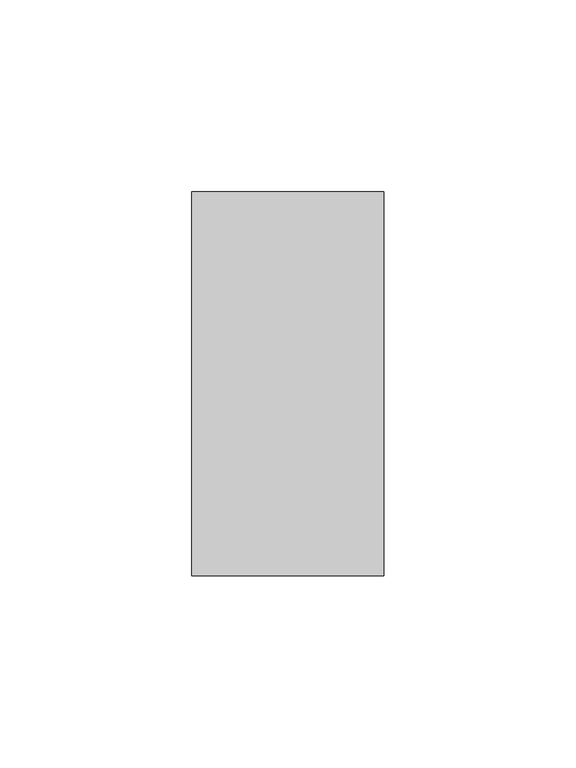
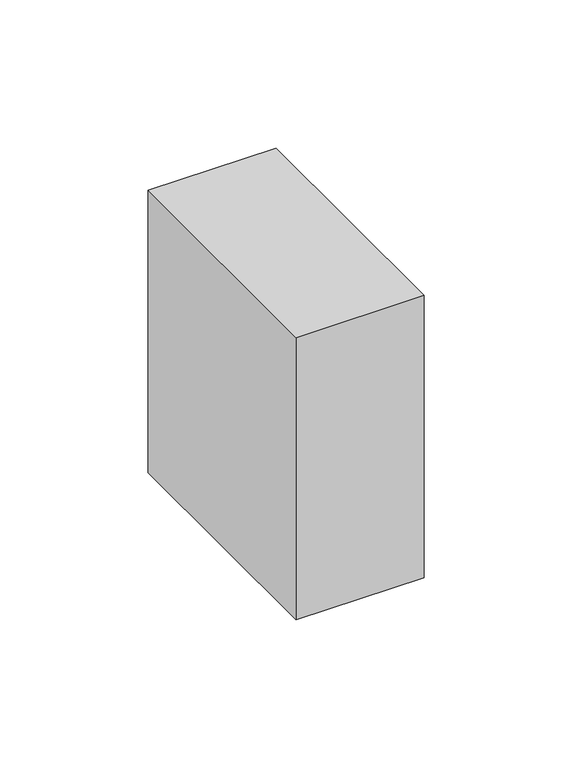
"""IFC4 building model written with IfcOpenShell, lengths in millimetres: member geometry."""

from ifc_helpers import new_model, si_unit, frame, origin, place, context, project, spatial, polyline, outline, extrude, source, transform, mapped, element, save


def member_94d1cdb3(model_context):
    return source(origin(), model_context, "Body", "SweptSolid", [
        extrude(outline(polyline([(0.0, 50.0), (0.0, -50.0), (-50.0, -50.0), (-50.0, 50.0), (0.0, 50.0)])), frame((0.0, 0.0, -116.4342511), z_axis=(0.0, 0.0, 1.0), x_axis=(1.0, 0.0, 0.0)), (0.0, 0.0, 1.0), 116.4342511),
    ])


if __name__ == "__main__":
    model = new_model("IFC4")
    model_context = context("Model", 3, world=origin())
    ifc_project = project(units=[si_unit("LENGTHUNIT", "METRE", prefix="MILLI")], contexts=[model_context])
    site = spatial("IfcSite", under=ifc_project)
    building = spatial("IfcBuilding", under=site)
    placement = place(None, origin())
    member_shape = member_94d1cdb3(model_context)
    element("IfcMember", 1, at=placement, inside=building, context=model_context, shape_type="MappedRepresentation", body=[
        mapped(member_shape, transform((0.0, 0.0, 0.0), x_axis=(1.0, 0.0, 0.0), y_axis=(0.0, 1.0, 0.0), z_axis=(0.0, 0.0, 1.0))),
    ])
    save(model, "model.ifc")
